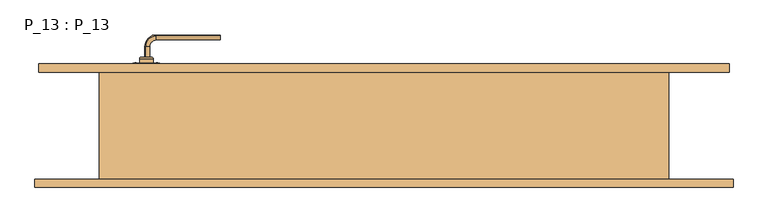
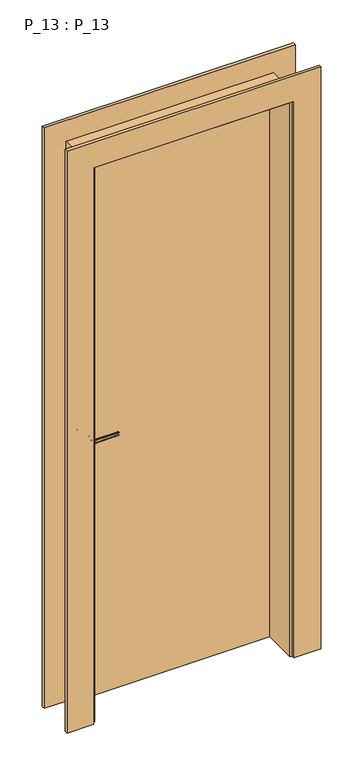
"""IFC4 building model written with IfcOpenShell, lengths in millimetres: door geometry, P_13 : P_13."""

from ifc_helpers import new_model, si_unit, point, frame, frame_2d, origin, origin_with_axes, place, context, project, spatial, polyline, circle_curve, ellipse_curve, trimmed, segment, composite_curve, outline, extrude, faceted_brep, source, transform, mapped, element, save
from ifc_brep_helpers import plane_surface, cylinder_surface, revolved_surface, extruded_surface, advanced_brep


def p_13_p_13_dcb9c020(model_context):
    return source(origin(), model_context, "Body", "SolidModel", [
        advanced_brep(
        [(-355.2627725, 50.5, 1137.25687), (-355.8631279, 50.5, 1123.0401367), (-354.4701466, 50.5, 1125.089211), (-354.4701466, 50.5, 1134.910789), (-244.0, 18.7372275, 1137.25687), (-244.0, 19.5298534, 1134.910789), (-244.0, 19.5298534, 1125.089211), (-244.0, 18.1368721, 1123.0401367), (-355.2627725, 35.0, 1137.25687), (-355.8631279, 35.0, 1123.0401367), (-339.0, 18.7372275, 1137.25687), (-339.0, 18.1368721, 1123.0401367), (-354.4701466, 35.0, 1134.910789), (-354.4701466, 35.0, 1125.089211), (-339.0, 19.5298534, 1134.910789), (-339.0, 19.5298534, 1125.089211)],
        [
            (0, 1, ellipse_curve(frame((-354.0, 50.5, 1130.0), z_axis=(0.0, 1.0, 0.0), x_axis=(0.0, 0.0, -1.0)), 7.5, 5.0)),
            (1, 2, circle_curve(frame((-355.0289365, 50.5, 1123.9710635), z_axis=(0.0, 1.0, 0.0), x_axis=(-1.0, 0.0, 0.0)), 1.25)),
            (2, 3, ellipse_curve(frame((-354.0, 50.5, 1130.0), z_axis=(0.0, -1.0, 0.0), x_axis=(1.0, 0.0, 0.0)), 2.5, 5.0)),
            (3, 0, circle_curve(frame((-355.0289365, 50.5, 1136.0289365), z_axis=(0.0, 1.0, 0.0), x_axis=(-1.0, 0.0, 0.0)), 1.25)),
            (4, 5, circle_curve(frame((-244.0, 18.9710635, 1136.0289365), z_axis=(1.0, 0.0, 0.0), x_axis=(0.0, -1.0, 0.0)), 1.25)),
            (5, 6, ellipse_curve(frame((-244.0, 20.0, 1130.0), z_axis=(-1.0, 0.0, 0.0), x_axis=(0.0, 1.0, 0.0)), 2.5, 5.0)),
            (6, 7, circle_curve(frame((-244.0, 18.9710635, 1123.9710635), z_axis=(1.0, 0.0, 0.0), x_axis=(0.0, -1.0, 0.0)), 1.25)),
            (7, 4, ellipse_curve(frame((-244.0, 20.0, 1130.0), z_axis=(1.0, 0.0, 0.0), x_axis=(0.0, 0.0, -1.0)), 7.5, 5.0)),
            (0, 8),
            (8, 9, ellipse_curve(frame((-354.0, 35.0, 1130.0), z_axis=(0.0, 1.0, 0.0), x_axis=(0.0, 0.0, -1.0)), 7.5, 5.0)),
            (9, 1),
            (10, 4),
            (7, 11),
            (11, 10, ellipse_curve(frame((-339.0, 20.0, 1130.0), z_axis=(1.0, 0.0, 0.0), x_axis=(0.0, 0.0, -1.0)), 7.5, 5.0)),
            (3, 12),
            (12, 8, circle_curve(frame((-355.0289365, 35.0, 1136.0289365), z_axis=(0.0, 1.0, 0.0), x_axis=(-1.0, 0.0, 0.0)), 1.25)),
            (2, 13),
            (13, 12, ellipse_curve(frame((-354.0, 35.0, 1130.0), z_axis=(0.0, -1.0, 0.0), x_axis=(0.0, 0.0, -1.0)), 5.0, 2.5)),
            (9, 13, circle_curve(frame((-355.0289365, 35.0, 1123.9710635), z_axis=(0.0, 1.0, 0.0), x_axis=(-1.0, 0.0, 0.0)), 1.25)),
            (14, 5),
            (10, 14, circle_curve(frame((-339.0, 18.9710635, 1136.0289365), z_axis=(1.0, 0.0, 0.0), x_axis=(0.0, -1.0, 0.0)), 1.25)),
            (15, 6),
            (14, 15, ellipse_curve(frame((-339.0, 20.0, 1130.0), z_axis=(-1.0, 0.0, 0.0), x_axis=(0.0, 0.0, -1.0)), 5.0, 2.5)),
            (15, 11, circle_curve(frame((-339.0, 18.9710635, 1123.9710635), z_axis=(1.0, 0.0, 0.0), x_axis=(0.0, -1.0, 0.0)), 1.25)),
            (10, 8, circle_curve(frame((-339.0, 35.0, 1137.25687), z_axis=(0.0, 0.0, -1.0), x_axis=(-1.0, 0.0, 0.0)), 16.2627725)),
            (12, 14, circle_curve(frame((-339.0, 35.0, 1134.910789), z_axis=(0.0, 0.0, 1.0), x_axis=(-1.0, 0.0, 0.0)), 15.4701466)),
            (13, 15, circle_curve(frame((-339.0, 35.0, 1125.089211), z_axis=(0.0, 0.0, 1.0), x_axis=(-1.0, 0.0, 0.0)), 15.4701466)),
            (9, 11, circle_curve(frame((-339.0, 35.0, 1123.0401367), z_axis=(0.0, 0.0, 1.0), x_axis=(-1.0, 0.0, 0.0)), 16.8631279)),
        ],
        [
            plane_surface(frame((-354.0, 50.5, 0.0), z_axis=(0.0, 1.0, 0.0), x_axis=(0.0, 0.0, 1.0))),
            plane_surface(frame((-244.0, 20.0, 0.0), z_axis=(1.0, 0.0, 0.0), x_axis=(0.0, 0.0, 1.0))),
            extruded_surface(trimmed(ellipse_curve(frame((-354.0, 50.5, 1130.0), z_axis=(0.0, -1.0, 0.0), x_axis=(0.0, 0.0, -1.0)), 7.5, 5.0), [point((-355.8631279, 50.5, 1123.0401367))], [point((-355.2627725, 50.5, 1137.25687))], True, "CARTESIAN"), (0.0, -15.5, 0.0), 15.5),
            extruded_surface(trimmed(ellipse_curve(frame((-339.0, 20.0, 1130.0), z_axis=(1.0, 0.0, 0.0), x_axis=(0.0, 0.0, -1.0)), 7.5, 5.0), [point((-339.0, 18.1368721, 1123.0401367))], [point((-339.0, 18.7372275, 1137.25687))], True, "CARTESIAN"), (95.0, 0.0, 0.0), 95.0),
            cylinder_surface(frame((-355.0289365, 50.5, 1136.0289365), z_axis=(0.0, 1.0, 0.0), x_axis=(-1.0, 0.0, 0.0)), 1.25),
            extruded_surface(trimmed(ellipse_curve(frame((-354.0, 50.5, 1130.0), z_axis=(0.0, 1.0, 0.0), x_axis=(1.0, 0.0, 0.0)), 2.5, 5.0), [point((-354.4701466, 50.5, 1134.910789))], [point((-354.4701466, 50.5, 1125.089211))], True, "CARTESIAN"), (0.0, -15.5, 0.0), 15.5),
            cylinder_surface(frame((-355.0289365, 50.5, 1123.9710635), z_axis=(0.0, 1.0, 0.0), x_axis=(-1.0, 0.0, 0.0)), 1.25),
            cylinder_surface(frame((-339.0, 18.9710635, 1136.0289365), z_axis=(-1.0, 0.0, 0.0), x_axis=(0.0, -1.0, 0.0)), 1.25),
            extruded_surface(trimmed(ellipse_curve(frame((-339.0, 20.0, 1130.0), z_axis=(-1.0, 0.0, 0.0), x_axis=(0.0, 1.0, 0.0)), 2.5, 5.0), [point((-339.0, 19.5298534, 1134.910789))], [point((-339.0, 19.5298534, 1125.089211))], True, "CARTESIAN"), (95.0, 0.0, 0.0), 95.0),
            cylinder_surface(frame((-339.0, 18.9710635, 1123.9710635), z_axis=(-1.0, 0.0, 0.0), x_axis=(0.0, -1.0, 0.0)), 1.25),
            revolved_surface(trimmed(ellipse_curve(frame((-355.0289365, 35.0, 1136.0289365), z_axis=(0.0, -1.0, 0.0), x_axis=(-1.0, 0.0, 0.0)), 1.25, 1.25), [point((-355.2627725, 35.0, 1137.25687))], [point((-354.4701466, 35.0, 1134.910789))], True, "CARTESIAN"), (-339.0, 35.0, 0.0), (0.0, 0.0, -1.0)),
            revolved_surface(trimmed(ellipse_curve(frame((-354.0, 35.0, 1130.0), z_axis=(0.0, 1.0, 0.0), x_axis=(1.0, 0.0, 0.0)), 2.5, 5.0), [point((-354.4701466, 35.0, 1134.910789))], [point((-354.4701466, 35.0, 1125.089211))], True, "CARTESIAN"), (-339.0, 35.0, 0.0), (0.0, 0.0, -1.0)),
            revolved_surface(trimmed(ellipse_curve(frame((-355.0289365, 35.0, 1123.9710635), z_axis=(0.0, -1.0, 0.0), x_axis=(-1.0, 0.0, 0.0)), 1.25, 1.25), [point((-354.4701466, 35.0, 1125.089211))], [point((-355.8631279, 35.0, 1123.0401367))], True, "CARTESIAN"), (-339.0, 35.0, 0.0), (0.0, 0.0, -1.0)),
            revolved_surface(trimmed(ellipse_curve(frame((-354.0, 35.0, 1130.0), z_axis=(0.0, -1.0, 0.0), x_axis=(0.0, 0.0, -1.0)), 7.5, 5.0), [point((-355.8631279, 35.0, 1123.0401367))], [point((-355.2627725, 35.0, 1137.25687))], True, "CARTESIAN"), (-339.0, 35.0, 0.0), (0.0, 0.0, -1.0)),
        ],
        [
            (0, [[1, 2, 3, 4]]),
            (1, [[5, 6, 7, 8]]),
            (2, [[9, 10, 11, -1]]),
            (3, [[12, -8, 13, 14]]),
            (4, [[15, 16, -9, -4]]),
            (5, [[17, 18, -15, -3]]),
            (6, [[-11, 19, -17, -2]]),
            (7, [[20, -5, -12, 21]]),
            (8, [[22, -6, -20, 23]]),
            (9, [[-13, -7, -22, 24]]),
            (10, [[-21, 25, -16, 26]]),
            (11, [[-23, -26, -18, 27]]),
            (12, [[-24, -27, -19, 28]]),
            (13, [[-14, -28, -10, -25]]),
        ],
    ),
        advanced_brep(
        [(-346.5, 50.5, 1130.0), (-354.0, 50.5, 1130.0), (-361.5, 50.5, 1130.0), (-344.0, 53.0, 1130.0), (-364.0, 53.0, 1130.0), (-344.0, 60.0, 1130.0), (-364.0, 60.0, 1130.0), (-354.0, 60.0, 1130.0)],
        [
            (0, 1),
            (1, 2),
            (2, 0, circle_curve(frame((-354.0, 50.5, 1130.0), z_axis=(0.0, -1.0, 0.0), x_axis=(-1.0, 0.0, 0.0)), 7.5)),
            (0, 2, circle_curve(frame((-354.0, 50.5, 1130.0), z_axis=(0.0, -1.0, 0.0), x_axis=(-1.0, 0.0, 0.0)), 7.5)),
            (3, 0, circle_curve(frame((-346.5, 53.0, 1130.0), z_axis=(0.0, 0.0, -1.0), x_axis=(-1.0, 0.0, 0.0)), 2.5)),
            (2, 4, circle_curve(frame((-361.5, 53.0, 1130.0), z_axis=(0.0, 0.0, -1.0), x_axis=(1.0, 0.0, 0.0)), 2.5)),
            (4, 3, circle_curve(frame((-354.0, 53.0, 1130.0), z_axis=(0.0, -1.0, 0.0), x_axis=(-1.0, 0.0, 0.0)), 10.0)),
            (3, 4, circle_curve(frame((-354.0, 53.0, 1130.0), z_axis=(0.0, -1.0, 0.0), x_axis=(-1.0, 0.0, 0.0)), 10.0)),
            (5, 3),
            (4, 6),
            (6, 5, circle_curve(frame((-354.0, 60.0, 1130.0), z_axis=(0.0, -1.0, 0.0), x_axis=(-1.0, 0.0, 0.0)), 10.0)),
            (5, 6, circle_curve(frame((-354.0, 60.0, 1130.0), z_axis=(0.0, -1.0, 0.0), x_axis=(-1.0, 0.0, 0.0)), 10.0)),
            (7, 5),
            (6, 7),
        ],
        [
            plane_surface(frame((-354.0, 50.5, 1130.0), z_axis=(0.0, -1.0, 0.0), x_axis=(-1.0, 0.0, 0.0))),
            revolved_surface(trimmed(ellipse_curve(frame((-361.5, 53.0, 1130.0), z_axis=(0.0, 0.0, -1.0), x_axis=(1.0, 0.0, 0.0)), 2.5, 2.5), [point((-361.5, 50.5, 1130.0))], [point((-364.0, 53.0, 1130.0))], True, "CARTESIAN"), (-354.0, 53.0, 1130.0), (0.0, 1.0, 0.0)),
            cylinder_surface(frame((-354.0, 53.0, 1130.0), z_axis=(0.0, 1.0, 0.0), x_axis=(-1.0, 0.0, 0.0)), 10.0),
            plane_surface(frame((-354.0, 60.0, 1130.0), z_axis=(0.0, 1.0, 0.0), x_axis=(-1.0, 0.0, 0.0))),
        ],
        [
            (0, [[1, 2, 3]]),
            (0, [[-2, -1, 4]]),
            (1, [[5, -3, 6, 7]]),
            (1, [[-6, -4, -5, 8]]),
            (2, [[9, -7, 10, 11]]),
            (2, [[-10, -8, -9, 12]]),
            (3, [[13, -11, 14]]),
            (3, [[-14, -12, -13]]),
        ],
    ),
        advanced_brep(
        [(-372.2384844, 60.0, 1004.0384844), (-370.0, 60.0, 1004.0384844), (-367.7615156, 60.0, 1004.0384844), (-370.0, 59.0934411, 1004.0384844)],
        [
            (0, 1),
            (1, 2),
            (2, 0, circle_curve(frame((-370.0, 60.0, 1004.0384844), z_axis=(0.0, 1.0, 0.0), x_axis=(1.0, 0.0, 0.0)), 2.2384844)),
            (0, 2, circle_curve(frame((-370.0, 60.0, 1004.0384844), z_axis=(0.0, 1.0, 0.0), x_axis=(1.0, 0.0, 0.0)), 2.2384844)),
            (3, 0, circle_curve(frame((-370.0, 62.3103648, 1004.0384844), z_axis=(0.0, 0.0, -1.0), x_axis=(0.0, -1.0, 0.0)), 3.2169236)),
            (2, 3, circle_curve(frame((-370.0, 62.3103648, 1004.0384844), z_axis=(0.0, 0.0, -1.0), x_axis=(0.0, -1.0, 0.0)), 3.2169236)),
        ],
        [
            plane_surface(frame((-370.0, 60.0, 1004.0384844), z_axis=(0.0, 1.0, 0.0), x_axis=(1.0, 0.0, 0.0))),
            revolved_surface(trimmed(ellipse_curve(frame((-370.0, 62.3103648, 1004.0384844), z_axis=(0.0, 0.0, -1.0), x_axis=(0.0, -1.0, 0.0)), 3.2169236, 3.2169236), [point((-367.7615156, 60.0, 1004.0384844))], [point((-370.0, 59.0934411, 1004.0384844))], True, "CARTESIAN"), (-370.0, 65.6130164, 1004.0384844), (0.0, -1.0, 0.0)),
        ],
        [
            (0, [[1, 2, 3]]),
            (0, [[-2, -1, 4]]),
            (1, [[5, -3, 6]]),
            (1, [[-6, -4, -5]]),
        ],
    ),
        advanced_brep(
        [(-338.0, 60.0, 1004.0384844), (-335.7615156, 60.0, 1004.0384844), (-340.2384844, 60.0, 1004.0384844), (-338.0, 59.0934411, 1004.0384844)],
        [
            (0, 1),
            (1, 2, circle_curve(frame((-338.0, 60.0, 1004.0384844), z_axis=(0.0, 1.0, 0.0), x_axis=(-1.0, 0.0, 0.0)), 2.2384844)),
            (2, 0),
            (2, 1, circle_curve(frame((-338.0, 60.0, 1004.0384844), z_axis=(0.0, 1.0, 0.0), x_axis=(-1.0, 0.0, 0.0)), 2.2384844)),
            (1, 3, circle_curve(frame((-338.0, 62.3103648, 1004.0384844), z_axis=(0.0, 0.0, -1.0), x_axis=(0.0, 1.0, 0.0)), 3.2169236)),
            (3, 2, circle_curve(frame((-338.0, 62.3103648, 1004.0384844), z_axis=(0.0, 0.0, -1.0), x_axis=(0.0, 1.0, 0.0)), 3.2169236)),
        ],
        [
            plane_surface(frame((-338.0, 60.0, 1004.0384844), z_axis=(0.0, 1.0, 0.0), x_axis=(-1.0, 0.0, 0.0))),
            revolved_surface(trimmed(ellipse_curve(frame((-338.0, 62.3103648, 1004.0384844), z_axis=(0.0, 0.0, -1.0), x_axis=(0.0, 1.0, 0.0)), 3.2169236, 3.2169236), [point((-338.0, 59.0934411, 1004.0384844))], [point((-340.2384844, 60.0, 1004.0384844))], True, "CARTESIAN"), (-338.0, 65.6130164, 1004.0384844), (0.0, 1.0, 0.0)),
        ],
        [
            (0, [[1, 2, 3]]),
            (0, [[-3, 4, -1]]),
            (1, [[5, 6, -2]]),
            (1, [[-6, -5, -4]]),
        ],
    ),
        advanced_brep(
        [(-372.2384844, 60.0, 1195.9615156), (-370.0, 60.0, 1195.9615156), (-367.7615156, 60.0, 1195.9615156), (-370.0, 59.0934411, 1195.9615156)],
        [
            (0, 1),
            (1, 2),
            (2, 0, circle_curve(frame((-370.0, 60.0, 1195.9615156), z_axis=(0.0, 1.0, 0.0), x_axis=(1.0, 0.0, 0.0)), 2.2384844)),
            (0, 2, circle_curve(frame((-370.0, 60.0, 1195.9615156), z_axis=(0.0, 1.0, 0.0), x_axis=(1.0, 0.0, 0.0)), 2.2384844)),
            (3, 0, circle_curve(frame((-370.0, 62.3103648, 1195.9615156), z_axis=(0.0, 0.0, -1.0), x_axis=(1.0, 0.0, 0.0)), 3.2169236)),
            (2, 3, circle_curve(frame((-370.0, 62.3103648, 1195.9615156), z_axis=(0.0, 0.0, -1.0), x_axis=(-1.0, 0.0, 0.0)), 3.2169236)),
        ],
        [
            plane_surface(frame((-370.0, 60.0, 1195.9615156), z_axis=(0.0, 1.0, 0.0), x_axis=(1.0, 0.0, 0.0))),
            revolved_surface(trimmed(ellipse_curve(frame((-370.0, 62.3103648, 1195.9615156), z_axis=(0.0, 0.0, -1.0), x_axis=(-1.0, 0.0, 0.0)), 3.2169236, 3.2169236), [point((-367.7615156, 60.0, 1195.9615156))], [point((-370.0, 59.0934411, 1195.9615156))], True, "CARTESIAN"), (-370.0, 65.6130164, 1195.9615156), (0.0, -1.0, 0.0)),
        ],
        [
            (0, [[1, 2, 3]]),
            (0, [[-2, -1, 4]]),
            (1, [[5, -3, 6]]),
            (1, [[-6, -4, -5]]),
        ],
    ),
        advanced_brep(
        [(-338.0, 60.0, 1195.9615156), (-335.7615156, 60.0, 1195.9615156), (-340.2384844, 60.0, 1195.9615156), (-338.0, 59.0934411, 1195.9615156)],
        [
            (0, 1),
            (1, 2, circle_curve(frame((-338.0, 60.0, 1195.9615156), z_axis=(0.0, 1.0, 0.0), x_axis=(-1.0, 0.0, 0.0)), 2.2384844)),
            (2, 0),
            (2, 1, circle_curve(frame((-338.0, 60.0, 1195.9615156), z_axis=(0.0, 1.0, 0.0), x_axis=(-1.0, 0.0, 0.0)), 2.2384844)),
            (1, 3, circle_curve(frame((-338.0, 62.3103648, 1195.9615156), z_axis=(0.0, 0.0, -1.0), x_axis=(-1.0, 0.0, 0.0)), 3.2169236)),
            (3, 2, circle_curve(frame((-338.0, 62.3103648, 1195.9615156), z_axis=(0.0, 0.0, -1.0), x_axis=(1.0, 0.0, 0.0)), 3.2169236)),
        ],
        [
            plane_surface(frame((-338.0, 60.0, 1195.9615156), z_axis=(0.0, 1.0, 0.0), x_axis=(-1.0, 0.0, 0.0))),
            revolved_surface(trimmed(ellipse_curve(frame((-338.0, 62.3103648, 1195.9615156), z_axis=(0.0, 0.0, -1.0), x_axis=(1.0, 0.0, 0.0)), 3.2169236, 3.2169236), [point((-338.0, 59.0934411, 1195.9615156))], [point((-340.2384844, 60.0, 1195.9615156))], True, "CARTESIAN"), (-338.0, 65.6130164, 1195.9615156), (0.0, 1.0, 0.0)),
        ],
        [
            (0, [[1, 2, 3]]),
            (0, [[-3, 4, -1]]),
            (1, [[5, 6, -2]]),
            (1, [[-6, -5, -4]]),
        ],
    ),
        extrude(outline(composite_curve([segment(trimmed(circle_curve(frame_2d((1196.0, -338.0)), 2.0), [point((1196.0, -336.0))], [point((1196.0, -340.0))], False, "CARTESIAN"), True, "CONTINUOUS"), segment(trimmed(circle_curve(frame_2d((1196.0, -338.0)), 2.0), [point((1196.0, -340.0))], [point((1196.0, -336.0))], False, "CARTESIAN"), True, "CONTINUOUS")], self_intersect=False)), frame((0.0, 60.0, 0.0), z_axis=(0.0, 1.0, 0.0), x_axis=(0.0, 0.0, 1.0)), (0.0, 0.0, 1.0), 3.0),
        extrude(outline(composite_curve([segment(trimmed(circle_curve(frame_2d((1196.0, -370.0)), 2.0), [point((1196.0, -372.0))], [point((1196.0, -368.0))], False, "CARTESIAN"), True, "CONTINUOUS"), segment(trimmed(circle_curve(frame_2d((1196.0, -370.0)), 2.0), [point((1196.0, -368.0))], [point((1196.0, -372.0))], False, "CARTESIAN"), True, "CONTINUOUS")], self_intersect=False)), frame((0.0, 60.0, 0.0), z_axis=(0.0, 1.0, 0.0), x_axis=(0.0, 0.0, 1.0)), (0.0, 0.0, 1.0), 3.0),
        extrude(outline(composite_curve([segment(trimmed(circle_curve(frame_2d((1004.0, -338.0)), 2.0), [point((1004.0, -340.0))], [point((1004.0, -336.0))], False, "CARTESIAN"), True, "CONTINUOUS"), segment(trimmed(circle_curve(frame_2d((1004.0, -338.0)), 2.0), [point((1004.0, -336.0))], [point((1004.0, -340.0))], False, "CARTESIAN"), True, "CONTINUOUS")], self_intersect=False)), frame((0.0, 60.0, 0.0), z_axis=(0.0, 1.0, 0.0), x_axis=(0.0, 0.0, 1.0)), (0.0, 0.0, 1.0), 3.0),
        extrude(outline(composite_curve([segment(trimmed(circle_curve(frame_2d((1004.0, -370.0)), 2.0), [point((1004.0, -372.0))], [point((1004.0, -368.0))], False, "CARTESIAN"), True, "CONTINUOUS"), segment(trimmed(circle_curve(frame_2d((1004.0, -370.0)), 2.0), [point((1004.0, -368.0))], [point((1004.0, -372.0))], False, "CARTESIAN"), True, "CONTINUOUS")], self_intersect=False)), frame((0.0, 60.0, 0.0), z_axis=(0.0, 1.0, 0.0), x_axis=(0.0, 0.0, 1.0)), (0.0, 0.0, 1.0), 3.0),
        extrude(outline(composite_curve([segment(polyline([(1046.9098301, -359.0), (1030.0, -359.0)]), True, "CONTINUOUS"), segment(trimmed(circle_curve(frame_2d((1030.0, -354.0)), 5.0), [point((1030.0, -359.0))], [point((1030.0, -349.0))], False, "CARTESIAN"), True, "CONTINUOUS"), segment(polyline([(1030.0, -349.0), (1046.9098301, -349.0)]), True, "CONTINUOUS"), segment(trimmed(circle_curve(frame_2d((1052.5, -354.0)), 7.5), [point((1046.9098301, -349.0))], [point((1046.9098301, -359.0))], False, "CARTESIAN"), True, "CONTINUOUS")], self_intersect=False)), frame((0.0, 61.0, 0.0), z_axis=(0.0, 1.0, 0.0), x_axis=(0.0, 0.0, 1.0)), (0.0, 0.0, 1.0), 2.0),
        extrude(outline(polyline([(1200.0, -374.0), (1000.0, -374.0), (1000.0, -334.0), (1200.0, -334.0), (1200.0, -374.0)]), holes=[composite_curve([segment(polyline([(1046.9098301, -349.0), (1030.0, -349.0)]), True, "CONTINUOUS"), segment(trimmed(circle_curve(frame_2d((1030.0, -354.0)), 5.0), [point((1030.0, -349.0))], [point((1030.0, -359.0))], True, "CARTESIAN"), True, "CONTINUOUS"), segment(polyline([(1030.0, -359.0), (1046.9098301, -359.0)]), True, "CONTINUOUS"), segment(trimmed(circle_curve(frame_2d((1052.5, -354.0)), 7.5), [point((1046.9098301, -359.0))], [point((1046.9098301, -349.0))], True, "CARTESIAN"), True, "CONTINUOUS")], self_intersect=False), composite_curve([segment(trimmed(circle_curve(frame_2d((1004.0, -338.0)), 2.0), [point((1004.0, -336.0))], [point((1004.0, -340.0))], True, "CARTESIAN"), True, "CONTINUOUS"), segment(trimmed(circle_curve(frame_2d((1004.0, -338.0)), 2.0), [point((1004.0, -340.0))], [point((1004.0, -336.0))], True, "CARTESIAN"), True, "CONTINUOUS")], self_intersect=False), composite_curve([segment(trimmed(circle_curve(frame_2d((1004.0, -370.0)), 2.0), [point((1004.0, -368.0))], [point((1004.0, -372.0))], True, "CARTESIAN"), True, "CONTINUOUS"), segment(trimmed(circle_curve(frame_2d((1004.0, -370.0)), 2.0), [point((1004.0, -372.0))], [point((1004.0, -368.0))], True, "CARTESIAN"), True, "CONTINUOUS")], self_intersect=False), composite_curve([segment(trimmed(circle_curve(frame_2d((1196.0, -338.0)), 2.0), [point((1196.0, -336.0))], [point((1196.0, -340.0))], True, "CARTESIAN"), True, "CONTINUOUS"), segment(trimmed(circle_curve(frame_2d((1196.0, -338.0)), 2.0), [point((1196.0, -340.0))], [point((1196.0, -336.0))], True, "CARTESIAN"), True, "CONTINUOUS")], self_intersect=False), composite_curve([segment(trimmed(circle_curve(frame_2d((1196.0, -370.0)), 2.0), [point((1196.0, -368.0))], [point((1196.0, -372.0))], True, "CARTESIAN"), True, "CONTINUOUS"), segment(trimmed(circle_curve(frame_2d((1196.0, -370.0)), 2.0), [point((1196.0, -372.0))], [point((1196.0, -368.0))], True, "CARTESIAN"), True, "CONTINUOUS")], self_intersect=False)]), frame((0.0, 60.0, 0.0), z_axis=(0.0, 1.0, 0.0), x_axis=(0.0, 0.0, 1.0)), (0.0, 0.0, 1.0), 3.0),
        advanced_brep(
        [(-355.2627725, 102.5, 1137.25687), (-354.4701466, 102.5, 1134.910789), (-354.4701466, 102.5, 1125.089211), (-355.8631279, 102.5, 1123.0401367), (-244.0, 134.2627725, 1137.25687), (-244.0, 134.8631279, 1123.0401367), (-244.0, 133.4701466, 1125.089211), (-244.0, 133.4701466, 1134.910789), (-355.8631279, 118.0, 1123.0401367), (-355.2627725, 118.0, 1137.25687), (-339.0, 134.2627725, 1137.25687), (-339.0, 134.8631279, 1123.0401367), (-354.4701466, 118.0, 1134.910789), (-354.4701466, 118.0, 1125.089211), (-339.0, 133.4701466, 1134.910789), (-339.0, 133.4701466, 1125.089211)],
        [
            (0, 1, circle_curve(frame((-355.0289365, 102.5, 1136.0289365), z_axis=(0.0, -1.0, 0.0), x_axis=(-1.0, 0.0, 0.0)), 1.25)),
            (1, 2, ellipse_curve(frame((-354.0, 102.5, 1130.0), z_axis=(0.0, 1.0, 0.0), x_axis=(1.0, 0.0, 0.0)), 2.5, 5.0)),
            (2, 3, circle_curve(frame((-355.0289365, 102.5, 1123.9710635), z_axis=(0.0, -1.0, 0.0), x_axis=(-1.0, 0.0, 0.0)), 1.25)),
            (3, 0, ellipse_curve(frame((-354.0, 102.5, 1130.0), z_axis=(0.0, -1.0, 0.0), x_axis=(0.0, 0.0, -1.0)), 7.5, 5.0)),
            (4, 5, ellipse_curve(frame((-244.0, 133.0, 1130.0), z_axis=(1.0, 0.0, 0.0), x_axis=(0.0, 0.0, -1.0)), 7.5, 5.0)),
            (5, 6, circle_curve(frame((-244.0, 134.0289365, 1123.9710635), z_axis=(1.0, 0.0, 0.0), x_axis=(0.0, 1.0, 0.0)), 1.25)),
            (6, 7, ellipse_curve(frame((-244.0, 133.0, 1130.0), z_axis=(-1.0, 0.0, 0.0), x_axis=(0.0, -1.0, 0.0)), 2.5, 5.0)),
            (7, 4, circle_curve(frame((-244.0, 134.0289365, 1136.0289365), z_axis=(1.0, 0.0, 0.0), x_axis=(0.0, 1.0, 0.0)), 1.25)),
            (3, 8),
            (8, 9, ellipse_curve(frame((-354.0, 118.0, 1130.0), z_axis=(0.0, -1.0, 0.0), x_axis=(0.0, 0.0, -1.0)), 7.5, 5.0)),
            (9, 0),
            (10, 11, ellipse_curve(frame((-339.0, 133.0, 1130.0), z_axis=(1.0, 0.0, 0.0), x_axis=(0.0, 0.0, -1.0)), 7.5, 5.0)),
            (11, 5),
            (4, 10),
            (9, 12, circle_curve(frame((-355.0289365, 118.0, 1136.0289365), z_axis=(0.0, -1.0, 0.0), x_axis=(-1.0, 0.0, 0.0)), 1.25)),
            (12, 1),
            (12, 13, ellipse_curve(frame((-354.0, 118.0, 1130.0), z_axis=(0.0, 1.0, 0.0), x_axis=(0.0, 0.0, -1.0)), 5.0, 2.5)),
            (13, 2),
            (13, 8, circle_curve(frame((-355.0289365, 118.0, 1123.9710635), z_axis=(0.0, -1.0, 0.0), x_axis=(-1.0, 0.0, 0.0)), 1.25)),
            (14, 10, circle_curve(frame((-339.0, 134.0289365, 1136.0289365), z_axis=(1.0, 0.0, 0.0), x_axis=(0.0, 1.0, 0.0)), 1.25)),
            (7, 14),
            (15, 14, ellipse_curve(frame((-339.0, 133.0, 1130.0), z_axis=(-1.0, 0.0, 0.0), x_axis=(0.0, 0.0, -1.0)), 5.0, 2.5)),
            (6, 15),
            (11, 15, circle_curve(frame((-339.0, 134.0289365, 1123.9710635), z_axis=(1.0, 0.0, 0.0), x_axis=(0.0, 1.0, 0.0)), 1.25)),
            (14, 12, circle_curve(frame((-339.0, 118.0, 1134.910789), z_axis=(0.0, 0.0, 1.0), x_axis=(-1.0, 0.0, 0.0)), 15.4701466)),
            (9, 10, circle_curve(frame((-339.0, 118.0, 1137.25687), z_axis=(0.0, 0.0, -1.0), x_axis=(-1.0, 0.0, 0.0)), 16.2627725)),
            (15, 13, circle_curve(frame((-339.0, 118.0, 1125.089211), z_axis=(0.0, 0.0, 1.0), x_axis=(-1.0, 0.0, 0.0)), 15.4701466)),
            (11, 8, circle_curve(frame((-339.0, 118.0, 1123.0401367), z_axis=(0.0, 0.0, 1.0), x_axis=(-1.0, 0.0, 0.0)), 16.8631279)),
        ],
        [
            plane_surface(frame((-354.0, 102.5, 0.0), z_axis=(0.0, -1.0, 0.0), x_axis=(0.0, 0.0, 1.0))),
            plane_surface(frame((-244.0, 133.0, 0.0), z_axis=(1.0, 0.0, 0.0), x_axis=(0.0, 0.0, 1.0))),
            extruded_surface(trimmed(ellipse_curve(frame((-354.0, 118.0, 1130.0), z_axis=(0.0, -1.0, 0.0), x_axis=(0.0, 0.0, -1.0)), 7.5, 5.0), [point((-355.8631279, 118.0, 1123.0401367))], [point((-355.2627725, 118.0, 1137.25687))], True, "CARTESIAN"), (0.0, -15.5, 0.0), 15.5),
            extruded_surface(trimmed(ellipse_curve(frame((-244.0, 133.0, 1130.0), z_axis=(-1.0, 0.0, 0.0), x_axis=(0.0, 0.0, -1.0)), 7.5, 5.0), [point((-244.0, 134.8631279, 1123.0401367))], [point((-244.0, 134.2627725, 1137.25687))], True, "CARTESIAN"), (-95.0, 0.0, 0.0), 95.0),
            cylinder_surface(frame((-355.0289365, 102.5, 1136.0289365), z_axis=(0.0, -1.0, 0.0), x_axis=(-1.0, 0.0, 0.0)), 1.25),
            extruded_surface(trimmed(ellipse_curve(frame((-354.0, 118.0, 1130.0), z_axis=(0.0, 1.0, 0.0), x_axis=(1.0, 0.0, 0.0)), 2.5, 5.0), [point((-354.4701466, 118.0, 1134.910789))], [point((-354.4701466, 118.0, 1125.089211))], True, "CARTESIAN"), (0.0, -15.5, 0.0), 15.5),
            cylinder_surface(frame((-355.0289365, 102.5, 1123.9710635), z_axis=(0.0, -1.0, 0.0), x_axis=(-1.0, 0.0, 0.0)), 1.25),
            cylinder_surface(frame((-339.0, 134.0289365, 1136.0289365), z_axis=(-1.0, 0.0, 0.0), x_axis=(0.0, 1.0, 0.0)), 1.25),
            extruded_surface(trimmed(ellipse_curve(frame((-244.0, 133.0, 1130.0), z_axis=(1.0, 0.0, 0.0), x_axis=(0.0, -1.0, 0.0)), 2.5, 5.0), [point((-244.0, 133.4701466, 1134.910789))], [point((-244.0, 133.4701466, 1125.089211))], True, "CARTESIAN"), (-95.0, 0.0, 0.0), 95.0),
            cylinder_surface(frame((-339.0, 134.0289365, 1123.9710635), z_axis=(-1.0, 0.0, 0.0), x_axis=(0.0, 1.0, 0.0)), 1.25),
            revolved_surface(trimmed(ellipse_curve(frame((-355.0289365, 118.0, 1136.0289365), z_axis=(0.0, -1.0, 0.0), x_axis=(-1.0, 0.0, 0.0)), 1.25, 1.25), [point((-355.2627725, 118.0, 1137.25687))], [point((-354.4701466, 118.0, 1134.910789))], True, "CARTESIAN"), (-339.0, 118.0, 0.0), (0.0, 0.0, -1.0)),
            revolved_surface(trimmed(ellipse_curve(frame((-354.0, 118.0, 1130.0), z_axis=(0.0, 1.0, 0.0), x_axis=(1.0, 0.0, 0.0)), 2.5, 5.0), [point((-354.4701466, 118.0, 1134.910789))], [point((-354.4701466, 118.0, 1125.089211))], True, "CARTESIAN"), (-339.0, 118.0, 0.0), (0.0, 0.0, -1.0)),
            revolved_surface(trimmed(ellipse_curve(frame((-355.0289365, 118.0, 1123.9710635), z_axis=(0.0, -1.0, 0.0), x_axis=(-1.0, 0.0, 0.0)), 1.25, 1.25), [point((-354.4701466, 118.0, 1125.089211))], [point((-355.8631279, 118.0, 1123.0401367))], True, "CARTESIAN"), (-339.0, 118.0, 0.0), (0.0, 0.0, -1.0)),
            revolved_surface(trimmed(ellipse_curve(frame((-354.0, 118.0, 1130.0), z_axis=(0.0, -1.0, 0.0), x_axis=(0.0, 0.0, -1.0)), 7.5, 5.0), [point((-355.8631279, 118.0, 1123.0401367))], [point((-355.2627725, 118.0, 1137.25687))], True, "CARTESIAN"), (-339.0, 118.0, 0.0), (0.0, 0.0, -1.0)),
        ],
        [
            (0, [[1, 2, 3, 4]]),
            (1, [[5, 6, 7, 8]]),
            (2, [[-4, 9, 10, 11]]),
            (3, [[12, 13, -5, 14]]),
            (4, [[-1, -11, 15, 16]]),
            (5, [[-2, -16, 17, 18]]),
            (6, [[-3, -18, 19, -9]]),
            (7, [[20, -14, -8, 21]]),
            (8, [[22, -21, -7, 23]]),
            (9, [[24, -23, -6, -13]]),
            (10, [[25, -15, 26, -20]]),
            (11, [[27, -17, -25, -22]]),
            (12, [[28, -19, -27, -24]]),
            (13, [[-26, -10, -28, -12]]),
        ],
    ),
        advanced_brep(
        [(-346.5, 102.5, 1130.0), (-361.5, 102.5, 1130.0), (-354.0, 102.5, 1130.0), (-344.0, 100.0, 1130.0), (-364.0, 100.0, 1130.0), (-344.0, 93.0, 1130.0), (-364.0, 93.0, 1130.0), (-354.0, 93.0, 1130.0)],
        [
            (0, 1, circle_curve(frame((-354.0, 102.5, 1130.0), z_axis=(0.0, 1.0, 0.0), x_axis=(-1.0, 0.0, 0.0)), 7.5)),
            (1, 2),
            (2, 0),
            (1, 0, circle_curve(frame((-354.0, 102.5, 1130.0), z_axis=(0.0, 1.0, 0.0), x_axis=(-1.0, 0.0, 0.0)), 7.5)),
            (3, 4, circle_curve(frame((-354.0, 100.0, 1130.0), z_axis=(0.0, 1.0, 0.0), x_axis=(-1.0, 0.0, 0.0)), 10.0)),
            (4, 1, circle_curve(frame((-361.5, 100.0, 1130.0), z_axis=(0.0, 0.0, -1.0), x_axis=(1.0, 0.0, 0.0)), 2.5)),
            (0, 3, circle_curve(frame((-346.5, 100.0, 1130.0), z_axis=(0.0, 0.0, -1.0), x_axis=(-1.0, 0.0, 0.0)), 2.5)),
            (4, 3, circle_curve(frame((-354.0, 100.0, 1130.0), z_axis=(0.0, 1.0, 0.0), x_axis=(-1.0, 0.0, 0.0)), 10.0)),
            (5, 6, circle_curve(frame((-354.0, 93.0, 1130.0), z_axis=(0.0, 1.0, 0.0), x_axis=(-1.0, 0.0, 0.0)), 10.0)),
            (6, 4),
            (3, 5),
            (6, 5, circle_curve(frame((-354.0, 93.0, 1130.0), z_axis=(0.0, 1.0, 0.0), x_axis=(-1.0, 0.0, 0.0)), 10.0)),
            (7, 6),
            (5, 7),
        ],
        [
            plane_surface(frame((-354.0, 102.5, 1130.0), z_axis=(0.0, 1.0, 0.0), x_axis=(-1.0, 0.0, 0.0))),
            revolved_surface(trimmed(ellipse_curve(frame((-361.5, 100.0, 1130.0), z_axis=(0.0, 0.0, 1.0), x_axis=(1.0, 0.0, 0.0)), 2.5, 2.5), [point((-361.5, 102.5, 1130.0))], [point((-364.0, 100.0, 1130.0))], True, "CARTESIAN"), (-354.0, 100.0, 1130.0), (0.0, -1.0, 0.0)),
            cylinder_surface(frame((-354.0, 100.0, 1130.0), z_axis=(0.0, -1.0, 0.0), x_axis=(-1.0, 0.0, 0.0)), 10.0),
            plane_surface(frame((-354.0, 93.0, 1130.0), z_axis=(0.0, -1.0, 0.0), x_axis=(-1.0, 0.0, 0.0))),
        ],
        [
            (0, [[1, 2, 3]]),
            (0, [[4, -3, -2]]),
            (1, [[5, 6, -1, 7]]),
            (1, [[8, -7, -4, -6]]),
            (2, [[9, 10, -5, 11]]),
            (2, [[12, -11, -8, -10]]),
            (3, [[13, -9, 14]]),
            (3, [[-14, -12, -13]]),
        ],
    ),
        advanced_brep(
        [(-372.2384844, 93.0, 1004.0384844), (-367.7615156, 93.0, 1004.0384844), (-370.0, 93.0, 1004.0384844), (-370.0, 93.9065589, 1004.0384844)],
        [
            (0, 1, circle_curve(frame((-370.0, 93.0, 1004.0384844), z_axis=(0.0, -1.0, 0.0), x_axis=(1.0, 0.0, 0.0)), 2.2384844)),
            (1, 2),
            (2, 0),
            (1, 0, circle_curve(frame((-370.0, 93.0, 1004.0384844), z_axis=(0.0, -1.0, 0.0), x_axis=(1.0, 0.0, 0.0)), 2.2384844)),
            (3, 1, circle_curve(frame((-370.0, 90.6896352, 1004.0384844), z_axis=(0.0, 0.0, -1.0), x_axis=(0.0, 1.0, 0.0)), 3.2169236)),
            (0, 3, circle_curve(frame((-370.0, 90.6896352, 1004.0384844), z_axis=(0.0, 0.0, -1.0), x_axis=(0.0, 1.0, 0.0)), 3.2169236)),
        ],
        [
            plane_surface(frame((-370.0, 93.0, 1004.0384844), z_axis=(0.0, -1.0, 0.0), x_axis=(1.0, 0.0, 0.0))),
            revolved_surface(trimmed(ellipse_curve(frame((-370.0, 90.6896352, 1004.0384844), z_axis=(0.0, 0.0, 1.0), x_axis=(0.0, 1.0, 0.0)), 3.2169236, 3.2169236), [point((-367.7615156, 93.0, 1004.0384844))], [point((-370.0, 93.9065589, 1004.0384844))], True, "CARTESIAN"), (-370.0, 87.3869836, 1004.0384844), (0.0, 1.0, 0.0)),
        ],
        [
            (0, [[1, 2, 3]]),
            (0, [[4, -3, -2]]),
            (1, [[5, -1, 6]]),
            (1, [[-6, -4, -5]]),
        ],
    ),
        advanced_brep(
        [(-338.0, 93.0, 1004.0384844), (-340.2384844, 93.0, 1004.0384844), (-335.7615156, 93.0, 1004.0384844), (-338.0, 93.9065589, 1004.0384844)],
        [
            (0, 1),
            (1, 2, circle_curve(frame((-338.0, 93.0, 1004.0384844), z_axis=(0.0, -1.0, 0.0), x_axis=(-1.0, 0.0, 0.0)), 2.2384844)),
            (2, 0),
            (2, 1, circle_curve(frame((-338.0, 93.0, 1004.0384844), z_axis=(0.0, -1.0, 0.0), x_axis=(-1.0, 0.0, 0.0)), 2.2384844)),
            (1, 3, circle_curve(frame((-338.0, 90.6896352, 1004.0384844), z_axis=(0.0, 0.0, -1.0), x_axis=(0.0, -1.0, 0.0)), 3.2169236)),
            (3, 2, circle_curve(frame((-338.0, 90.6896352, 1004.0384844), z_axis=(0.0, 0.0, -1.0), x_axis=(0.0, -1.0, 0.0)), 3.2169236)),
        ],
        [
            plane_surface(frame((-338.0, 93.0, 1004.0384844), z_axis=(0.0, -1.0, 0.0), x_axis=(-1.0, 0.0, 0.0))),
            revolved_surface(trimmed(ellipse_curve(frame((-338.0, 90.6896352, 1004.0384844), z_axis=(0.0, 0.0, 1.0), x_axis=(0.0, -1.0, 0.0)), 3.2169236, 3.2169236), [point((-338.0, 93.9065589, 1004.0384844))], [point((-340.2384844, 93.0, 1004.0384844))], True, "CARTESIAN"), (-338.0, 87.3869836, 1004.0384844), (0.0, -1.0, 0.0)),
        ],
        [
            (0, [[1, 2, 3]]),
            (0, [[-3, 4, -1]]),
            (1, [[-2, 5, 6]]),
            (1, [[-4, -6, -5]]),
        ],
    ),
        advanced_brep(
        [(-372.2384844, 93.0, 1195.9615156), (-367.7615156, 93.0, 1195.9615156), (-370.0, 93.0, 1195.9615156), (-370.0, 93.9065589, 1195.9615156)],
        [
            (0, 1, circle_curve(frame((-370.0, 93.0, 1195.9615156), z_axis=(0.0, -1.0, 0.0), x_axis=(1.0, 0.0, 0.0)), 2.2384844)),
            (1, 2),
            (2, 0),
            (1, 0, circle_curve(frame((-370.0, 93.0, 1195.9615156), z_axis=(0.0, -1.0, 0.0), x_axis=(1.0, 0.0, 0.0)), 2.2384844)),
            (3, 1, circle_curve(frame((-370.0, 90.6896352, 1195.9615156), z_axis=(0.0, 0.0, -1.0), x_axis=(-1.0, 0.0, 0.0)), 3.2169236)),
            (0, 3, circle_curve(frame((-370.0, 90.6896352, 1195.9615156), z_axis=(0.0, 0.0, -1.0), x_axis=(1.0, 0.0, 0.0)), 3.2169236)),
        ],
        [
            plane_surface(frame((-370.0, 93.0, 1195.9615156), z_axis=(0.0, -1.0, 0.0), x_axis=(1.0, 0.0, 0.0))),
            revolved_surface(trimmed(ellipse_curve(frame((-370.0, 90.6896352, 1195.9615156), z_axis=(0.0, 0.0, 1.0), x_axis=(-1.0, 0.0, 0.0)), 3.2169236, 3.2169236), [point((-367.7615156, 93.0, 1195.9615156))], [point((-370.0, 93.9065589, 1195.9615156))], True, "CARTESIAN"), (-370.0, 87.3869836, 1195.9615156), (0.0, 1.0, 0.0)),
        ],
        [
            (0, [[1, 2, 3]]),
            (0, [[4, -3, -2]]),
            (1, [[5, -1, 6]]),
            (1, [[-6, -4, -5]]),
        ],
    ),
        advanced_brep(
        [(-338.0, 93.0, 1195.9615156), (-340.2384844, 93.0, 1195.9615156), (-335.7615156, 93.0, 1195.9615156), (-338.0, 93.9065589, 1195.9615156)],
        [
            (0, 1),
            (1, 2, circle_curve(frame((-338.0, 93.0, 1195.9615156), z_axis=(0.0, -1.0, 0.0), x_axis=(-1.0, 0.0, 0.0)), 2.2384844)),
            (2, 0),
            (2, 1, circle_curve(frame((-338.0, 93.0, 1195.9615156), z_axis=(0.0, -1.0, 0.0), x_axis=(-1.0, 0.0, 0.0)), 2.2384844)),
            (1, 3, circle_curve(frame((-338.0, 90.6896352, 1195.9615156), z_axis=(0.0, 0.0, -1.0), x_axis=(1.0, 0.0, 0.0)), 3.2169236)),
            (3, 2, circle_curve(frame((-338.0, 90.6896352, 1195.9615156), z_axis=(0.0, 0.0, -1.0), x_axis=(-1.0, 0.0, 0.0)), 3.2169236)),
        ],
        [
            plane_surface(frame((-338.0, 93.0, 1195.9615156), z_axis=(0.0, -1.0, 0.0), x_axis=(-1.0, 0.0, 0.0))),
            revolved_surface(trimmed(ellipse_curve(frame((-338.0, 90.6896352, 1195.9615156), z_axis=(0.0, 0.0, 1.0), x_axis=(1.0, 0.0, 0.0)), 3.2169236, 3.2169236), [point((-338.0, 93.9065589, 1195.9615156))], [point((-340.2384844, 93.0, 1195.9615156))], True, "CARTESIAN"), (-338.0, 87.3869836, 1195.9615156), (0.0, -1.0, 0.0)),
        ],
        [
            (0, [[1, 2, 3]]),
            (0, [[-3, 4, -1]]),
            (1, [[-2, 5, 6]]),
            (1, [[-4, -6, -5]]),
        ],
    ),
        extrude(outline(composite_curve([segment(trimmed(circle_curve(frame_2d((1196.0, -338.0)), 2.0), [point((1196.0, -336.0))], [point((1196.0, -340.0))], False, "CARTESIAN"), True, "CONTINUOUS"), segment(trimmed(circle_curve(frame_2d((1196.0, -338.0)), 2.0), [point((1196.0, -340.0))], [point((1196.0, -336.0))], False, "CARTESIAN"), True, "CONTINUOUS")], self_intersect=False)), frame((0.0, 90.0, 0.0), z_axis=(0.0, 1.0, 0.0), x_axis=(0.0, 0.0, 1.0)), (0.0, 0.0, 1.0), 3.0),
        extrude(outline(composite_curve([segment(trimmed(circle_curve(frame_2d((1196.0, -370.0)), 2.0), [point((1196.0, -372.0))], [point((1196.0, -368.0))], False, "CARTESIAN"), True, "CONTINUOUS"), segment(trimmed(circle_curve(frame_2d((1196.0, -370.0)), 2.0), [point((1196.0, -368.0))], [point((1196.0, -372.0))], False, "CARTESIAN"), True, "CONTINUOUS")], self_intersect=False)), frame((0.0, 90.0, 0.0), z_axis=(0.0, 1.0, 0.0), x_axis=(0.0, 0.0, 1.0)), (0.0, 0.0, 1.0), 3.0),
        extrude(outline(composite_curve([segment(trimmed(circle_curve(frame_2d((1004.0, -338.0)), 2.0), [point((1004.0, -340.0))], [point((1004.0, -336.0))], False, "CARTESIAN"), True, "CONTINUOUS"), segment(trimmed(circle_curve(frame_2d((1004.0, -338.0)), 2.0), [point((1004.0, -336.0))], [point((1004.0, -340.0))], False, "CARTESIAN"), True, "CONTINUOUS")], self_intersect=False)), frame((0.0, 90.0, 0.0), z_axis=(0.0, 1.0, 0.0), x_axis=(0.0, 0.0, 1.0)), (0.0, 0.0, 1.0), 3.0),
        extrude(outline(composite_curve([segment(trimmed(circle_curve(frame_2d((1004.0, -370.0)), 2.0), [point((1004.0, -372.0))], [point((1004.0, -368.0))], False, "CARTESIAN"), True, "CONTINUOUS"), segment(trimmed(circle_curve(frame_2d((1004.0, -370.0)), 2.0), [point((1004.0, -368.0))], [point((1004.0, -372.0))], False, "CARTESIAN"), True, "CONTINUOUS")], self_intersect=False)), frame((0.0, 90.0, 0.0), z_axis=(0.0, 1.0, 0.0), x_axis=(0.0, 0.0, 1.0)), (0.0, 0.0, 1.0), 3.0),
        extrude(outline(composite_curve([segment(polyline([(1046.9098301, -359.0), (1030.0, -359.0)]), True, "CONTINUOUS"), segment(trimmed(circle_curve(frame_2d((1030.0, -354.0)), 5.0), [point((1030.0, -359.0))], [point((1030.0, -349.0))], False, "CARTESIAN"), True, "CONTINUOUS"), segment(polyline([(1030.0, -349.0), (1046.9098301, -349.0)]), True, "CONTINUOUS"), segment(trimmed(circle_curve(frame_2d((1052.5, -354.0)), 7.5), [point((1046.9098301, -349.0))], [point((1046.9098301, -359.0))], False, "CARTESIAN"), True, "CONTINUOUS")], self_intersect=False)), frame((0.0, 90.0, 0.0), z_axis=(0.0, 1.0, 0.0), x_axis=(0.0, 0.0, 1.0)), (0.0, 0.0, 1.0), 2.0),
        extrude(outline(polyline([(1200.0, -374.0), (1000.0, -374.0), (1000.0, -334.0), (1200.0, -334.0), (1200.0, -374.0)]), holes=[composite_curve([segment(polyline([(1046.9098301, -349.0), (1030.0, -349.0)]), True, "CONTINUOUS"), segment(trimmed(circle_curve(frame_2d((1030.0, -354.0)), 5.0), [point((1030.0, -349.0))], [point((1030.0, -359.0))], True, "CARTESIAN"), True, "CONTINUOUS"), segment(polyline([(1030.0, -359.0), (1046.9098301, -359.0)]), True, "CONTINUOUS"), segment(trimmed(circle_curve(frame_2d((1052.5, -354.0)), 7.5), [point((1046.9098301, -359.0))], [point((1046.9098301, -349.0))], True, "CARTESIAN"), True, "CONTINUOUS")], self_intersect=False), composite_curve([segment(trimmed(circle_curve(frame_2d((1004.0, -338.0)), 2.0), [point((1004.0, -336.0))], [point((1004.0, -340.0))], True, "CARTESIAN"), True, "CONTINUOUS"), segment(trimmed(circle_curve(frame_2d((1004.0, -338.0)), 2.0), [point((1004.0, -340.0))], [point((1004.0, -336.0))], True, "CARTESIAN"), True, "CONTINUOUS")], self_intersect=False), composite_curve([segment(trimmed(circle_curve(frame_2d((1004.0, -370.0)), 2.0), [point((1004.0, -368.0))], [point((1004.0, -372.0))], True, "CARTESIAN"), True, "CONTINUOUS"), segment(trimmed(circle_curve(frame_2d((1004.0, -370.0)), 2.0), [point((1004.0, -372.0))], [point((1004.0, -368.0))], True, "CARTESIAN"), True, "CONTINUOUS")], self_intersect=False), composite_curve([segment(trimmed(circle_curve(frame_2d((1196.0, -338.0)), 2.0), [point((1196.0, -336.0))], [point((1196.0, -340.0))], True, "CARTESIAN"), True, "CONTINUOUS"), segment(trimmed(circle_curve(frame_2d((1196.0, -338.0)), 2.0), [point((1196.0, -340.0))], [point((1196.0, -336.0))], True, "CARTESIAN"), True, "CONTINUOUS")], self_intersect=False), composite_curve([segment(trimmed(circle_curve(frame_2d((1196.0, -370.0)), 2.0), [point((1196.0, -368.0))], [point((1196.0, -372.0))], True, "CARTESIAN"), True, "CONTINUOUS"), segment(trimmed(circle_curve(frame_2d((1196.0, -370.0)), 2.0), [point((1196.0, -372.0))], [point((1196.0, -368.0))], True, "CARTESIAN"), True, "CONTINUOUS")], self_intersect=False)]), frame((0.0, 90.0, 0.0), z_axis=(0.0, 1.0, 0.0), x_axis=(0.0, 0.0, 1.0)), (0.0, 0.0, 1.0), 3.0),
        extrude(outline(polyline([(-399.0, 80.0), (399.0, 80.0), (399.0, 63.0), (-399.0, 63.0), (-399.0, 80.0)])), origin_with_axes(), (0.0, 0.0, 1.0), 2395.0),
        extrude(outline(polyline([(404.0, 80.0), (-404.0, 80.0), (-404.0, 90.0), (404.0, 90.0), (404.0, 80.0)])), origin_with_axes(), (0.0, 0.0, 1.0), 2400.0),
        faceted_brep([(514.0, 80.0, 0.0), (424.0, 80.0, 0.0), (424.0, -80.0, 0.0), (520.0, -80.0, 0.0), (520.0, -92.0, 0.0), (410.0, -92.0, 0.0), (410.0, -80.0, 0.0), (400.0, -80.0, 0.0), (400.0, 80.0, 0.0), (410.0, 80.0, 0.0), (410.0, 92.0, 0.0), (514.0, 92.0, 0.0), (514.0, 80.0, 2510.0), (-514.0, 80.0, 2510.0), (-514.0, 80.0, 0.0), (-424.0, 80.0, 0.0), (-424.0, 80.0, 2420.0), (424.0, 80.0, 2420.0), (424.0, -80.0, 2420.0), (-424.0, -80.0, 2420.0), (-424.0, -80.0, 0.0), (-520.0, -80.0, 0.0), (-520.0, -80.0, 2516.0), (520.0, -80.0, 2516.0), (520.0, -92.0, 2516.0), (-520.0, -92.0, 2516.0), (-520.0, -92.0, 0.0), (-410.0, -92.0, 0.0), (-410.0, -92.0, 2406.0), (410.0, -92.0, 2406.0), (410.0, -80.0, 2406.0), (-410.0, -80.0, 2406.0), (-410.0, -80.0, 0.0), (-400.0, -80.0, 0.0), (-400.0, -80.0, 2396.0), (400.0, -80.0, 2396.0), (400.0, 80.0, 2396.0), (-400.0, 80.0, 2396.0), (-400.0, 80.0, 0.0), (-410.0, 80.0, 0.0), (-410.0, 80.0, 2406.0), (410.0, 80.0, 2406.0), (410.0, 92.0, 2406.0), (-410.0, 92.0, 2406.0), (-410.0, 92.0, 0.0), (-514.0, 92.0, 0.0), (-514.0, 92.0, 2510.0), (514.0, 92.0, 2510.0)], [[[0, 1, 2, 3, 4, 5, 6, 7, 8, 9, 10, 11]], [[1, 0, 12, 13, 14, 15, 16, 17]], [[2, 1, 17, 18]], [[3, 2, 18, 19, 20, 21, 22, 23]], [[4, 3, 23, 24]], [[5, 4, 24, 25, 26, 27, 28, 29]], [[6, 5, 29, 30]], [[7, 6, 30, 31, 32, 33, 34, 35]], [[8, 7, 35, 36]], [[9, 8, 36, 37, 38, 39, 40, 41]], [[10, 9, 41, 42]], [[11, 10, 42, 43, 44, 45, 46, 47]], [[0, 11, 47, 12]], [[13, 46, 45, 14]], [[14, 45, 44, 39, 38, 33, 32, 27, 26, 21, 20, 15]], [[19, 16, 15, 20]], [[31, 28, 27, 32]], [[37, 34, 33, 38]], [[43, 40, 39, 44]], [[25, 22, 21, 26]], [[12, 47, 46, 13]], [[18, 17, 16, 19]], [[30, 29, 28, 31]], [[36, 35, 34, 37]], [[42, 41, 40, 43]], [[24, 23, 22, 25]]]),
    ])


if __name__ == "__main__":
    model = new_model("IFC4")
    model_context = context("Model", 3, world=origin())
    ifc_project = project(units=[si_unit("LENGTHUNIT", "METRE", prefix="MILLI")], contexts=[model_context])
    site = spatial("IfcSite", under=ifc_project)
    building = spatial("IfcBuilding", under=site)
    placement = place(None, origin())
    p_13_p_13_shape = p_13_p_13_dcb9c020(model_context)
    element("IfcDoor", 1, ObjectType="P_13 : P_13", at=placement, inside=building, context=model_context, shape_type="MappedRepresentation", body=[
        mapped(p_13_p_13_shape, transform((0.0, 0.0, 0.0), x_axis=(1.0, 0.0, 0.0), y_axis=(0.0, 1.0, 0.0), z_axis=(0.0, 0.0, 1.0))),
    ])
    save(model, "model.ifc")
